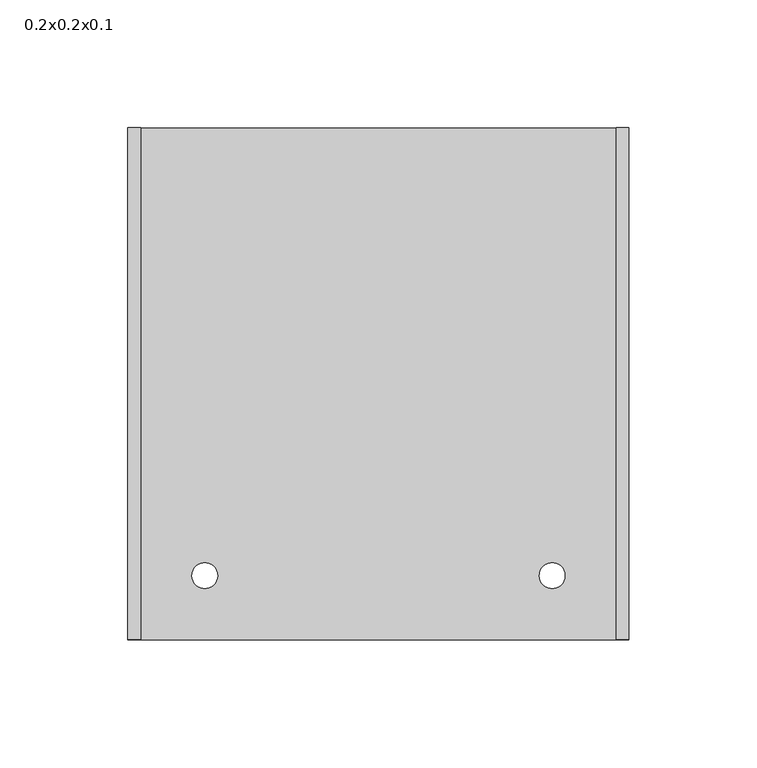
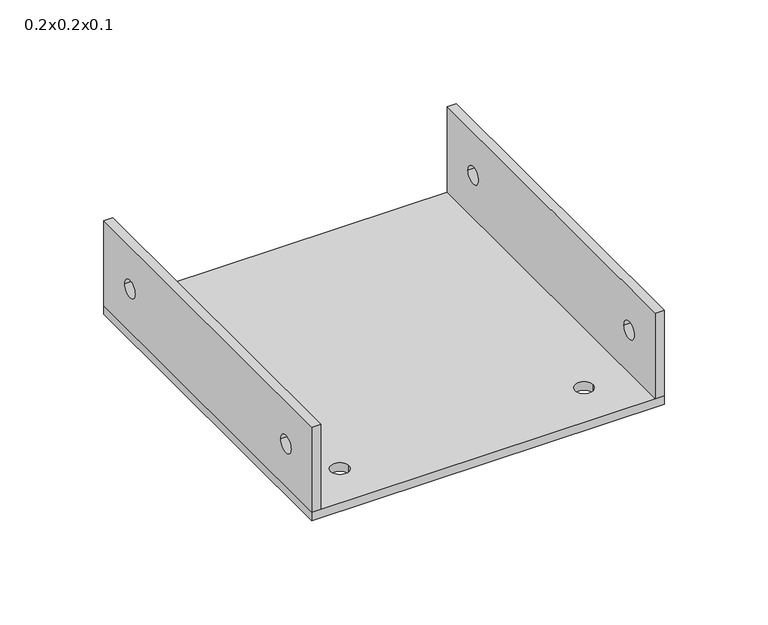
"""IFC4 building model written with IfcOpenShell, lengths in millimetres: proxy geometry, 0.2x0.2x0.1."""

from ifc_helpers import new_model, si_unit, point, frame, frame_2d, origin, origin_with_axes, place, context, project, spatial, polyline, circle_curve, trimmed, segment, composite_curve, outline, extrude, source, transform, mapped, element, save


def proxy_0_2x0_2x0_1_97ce4638(model_context):
    return source(origin(), model_context, "Body", "SweptSolid", [
        extrude(outline(polyline([(0.0, 55.0), (200.0, 55.0), (200.0, 5.0), (0.0, 5.0), (0.0, 55.0)]), holes=[composite_curve([segment(trimmed(circle_curve(frame_2d((175.0, 30.0)), 5.0), [point((170.0, 30.0))], [point((180.0, 30.0))], True, "CARTESIAN"), True, "CONTINUOUS"), segment(trimmed(circle_curve(frame_2d((175.0, 30.0)), 5.0), [point((180.0, 30.0))], [point((170.0, 30.0))], True, "CARTESIAN"), True, "CONTINUOUS")], self_intersect=False), composite_curve([segment(trimmed(circle_curve(frame_2d((25.0, 30.0)), 5.0), [point((20.0, 30.0))], [point((30.0, 30.0))], True, "CARTESIAN"), True, "CONTINUOUS"), segment(trimmed(circle_curve(frame_2d((25.0, 30.0)), 5.0), [point((30.0, 30.0))], [point((20.0, 30.0))], True, "CARTESIAN"), True, "CONTINUOUS")], self_intersect=False)]), frame((0.0, 0.0, 0.0), z_axis=(1.0, 0.0, 0.0), x_axis=(0.0, 1.0, 0.0)), (0.0, 0.0, 1.0), 5.0),
        extrude(outline(polyline([(0.0, 55.0), (200.0, 55.0), (200.0, 5.0), (0.0, 5.0), (0.0, 55.0)]), holes=[composite_curve([segment(trimmed(circle_curve(frame_2d((175.0, 30.0)), 5.0), [point((170.0, 30.0))], [point((180.0, 30.0))], True, "CARTESIAN"), True, "CONTINUOUS"), segment(trimmed(circle_curve(frame_2d((175.0, 30.0)), 5.0), [point((180.0, 30.0))], [point((170.0, 30.0))], True, "CARTESIAN"), True, "CONTINUOUS")], self_intersect=False), composite_curve([segment(trimmed(circle_curve(frame_2d((25.0, 30.0)), 5.0), [point((20.0, 30.0))], [point((30.0, 30.0))], True, "CARTESIAN"), True, "CONTINUOUS"), segment(trimmed(circle_curve(frame_2d((25.0, 30.0)), 5.0), [point((30.0, 30.0))], [point((20.0, 30.0))], True, "CARTESIAN"), True, "CONTINUOUS")], self_intersect=False)]), frame((190.7, 0.0, 0.0), z_axis=(1.0, 0.0, 0.0), x_axis=(0.0, 1.0, 0.0)), (0.0, 0.0, 1.0), 5.0),
        extrude(outline(polyline([(195.7, 200.0), (195.7, 0.0), (0.0, 0.0), (0.0, 200.0), (195.7, 200.0)]), holes=[composite_curve([segment(trimmed(circle_curve(frame_2d((30.0, 25.0)), 5.0), [point((25.0, 25.0))], [point((35.0, 25.0))], True, "CARTESIAN"), True, "CONTINUOUS"), segment(trimmed(circle_curve(frame_2d((30.0, 25.0)), 5.0), [point((35.0, 25.0))], [point((25.0, 25.0))], True, "CARTESIAN"), True, "CONTINUOUS")], self_intersect=False), composite_curve([segment(trimmed(circle_curve(frame_2d((165.7, 25.0)), 5.0), [point((160.7, 25.0))], [point((170.7, 25.0))], True, "CARTESIAN"), True, "CONTINUOUS"), segment(trimmed(circle_curve(frame_2d((165.7, 25.0)), 5.0), [point((170.7, 25.0))], [point((160.7, 25.0))], True, "CARTESIAN"), True, "CONTINUOUS")], self_intersect=False)]), origin_with_axes(), (0.0, 0.0, 1.0), 5.0),
    ])


if __name__ == "__main__":
    model = new_model("IFC4")
    model_context = context("Model", 3, world=origin())
    ifc_project = project(units=[si_unit("LENGTHUNIT", "METRE", prefix="MILLI")], contexts=[model_context])
    site = spatial("IfcSite", under=ifc_project)
    building = spatial("IfcBuilding", under=site)
    placement = place(None, origin())
    proxy_0_2x0_2x0_1_shape = proxy_0_2x0_2x0_1_97ce4638(model_context)
    element("IfcBuildingElementProxy", 1, Name="0.2x0.2x0.1", ObjectType="0.2x0.2x0.1", at=placement, inside=building, context=model_context, shape_type="MappedRepresentation", body=[
        mapped(proxy_0_2x0_2x0_1_shape, transform((0.0, 0.0, 0.0), x_axis=(1.0, 0.0, 0.0), y_axis=(0.0, 1.0, 0.0), z_axis=(0.0, 0.0, 1.0))),
    ])
    save(model, "model.ifc")
